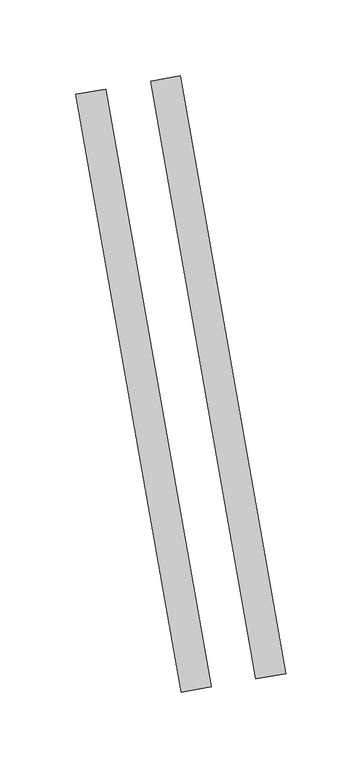
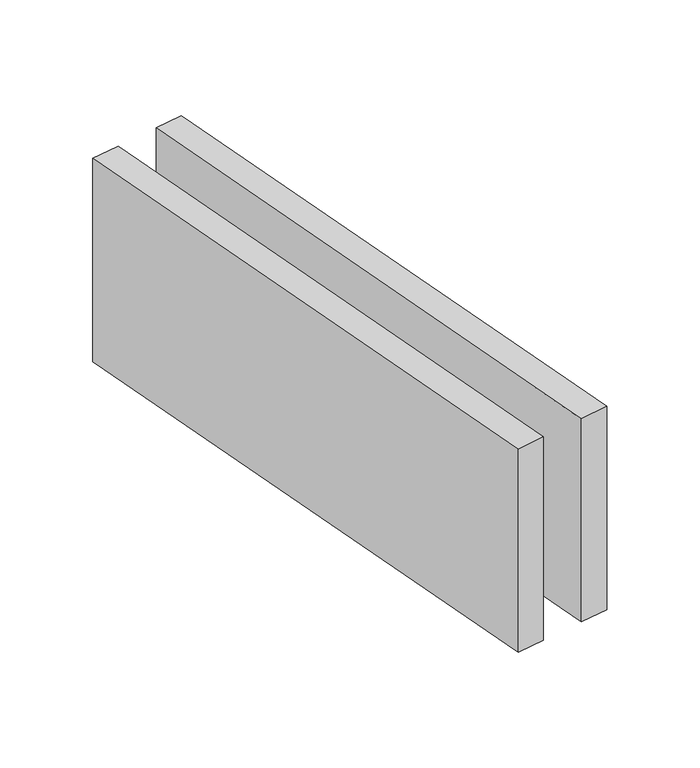
"""IFC4 building model written with IfcOpenShell, lengths in millimetres: proxy geometry."""

from ifc_helpers import new_model, si_unit, origin, origin_with_axes, place, context, project, spatial, polyline, outline, extrude, source, transform, mapped, element, save


def generic_models_ab548b91(model_context):
    return source(origin(), model_context, "Body", "SweptSolid", [
        extrude(outline(polyline([(84.2313874, -391.3183785), (14.7721163, 2.6047227), (34.4682714, 6.0776862), (103.9275424, -387.845415), (84.2313874, -391.3183785)])), origin_with_axes(), (0.0, 0.0, 1.0), 150.0),
        extrude(outline(polyline([(34.9909997, -400.0007874), (-34.4682714, -6.0776862), (-14.7721163, -2.6047227), (54.6871548, -396.5278239), (34.9909997, -400.0007874)])), origin_with_axes(), (0.0, 0.0, 1.0), 150.0),
    ])


if __name__ == "__main__":
    model = new_model("IFC4")
    model_context = context("Model", 3, world=origin())
    ifc_project = project(units=[si_unit("LENGTHUNIT", "METRE", prefix="MILLI")], contexts=[model_context])
    site = spatial("IfcSite", under=ifc_project)
    building = spatial("IfcBuilding", under=site)
    placement = place(None, origin())
    generic_models_shape = generic_models_ab548b91(model_context)
    element("IfcBuildingElementProxy", 1, Name="Generic Models", at=placement, inside=building, context=model_context, shape_type="MappedRepresentation", body=[
        mapped(generic_models_shape, transform((0.0, 0.0, 0.0), x_axis=(1.0, 0.0, 0.0), y_axis=(0.0, 1.0, 0.0), z_axis=(0.0, 0.0, 1.0))),
    ])
    save(model, "model.ifc")
